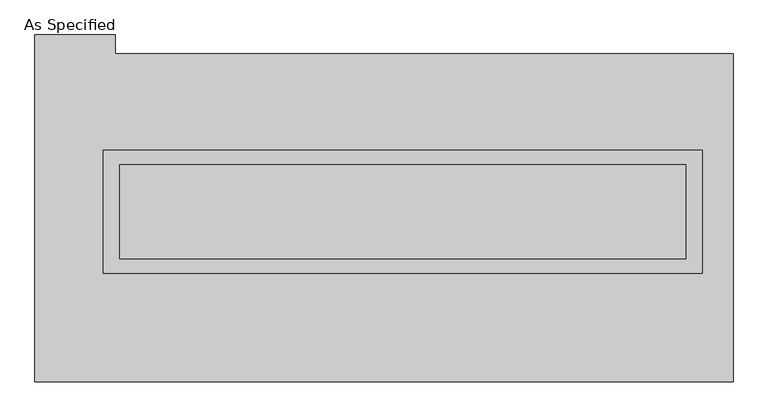
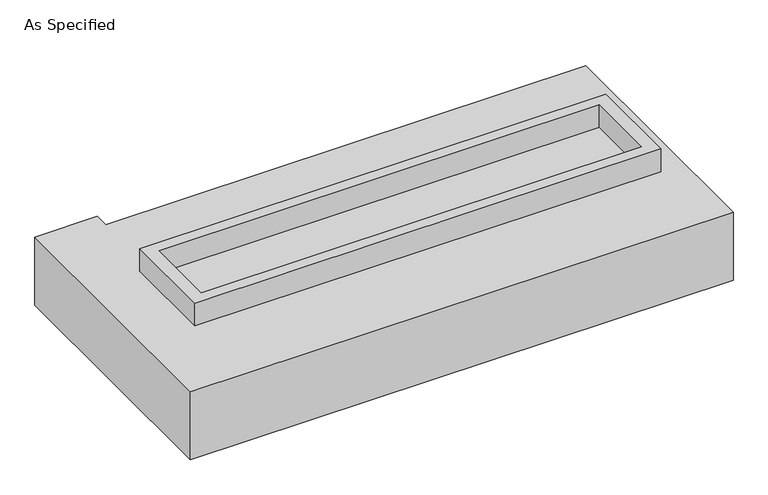
"""IFC4 building model written with IfcOpenShell, lengths in millimetres: proxy geometry, As Specified."""

from ifc_helpers import new_model, si_unit, frame, origin, place, context, project, spatial, polyline, outline, extrude, faceted_brep, source, transform, mapped, element, save


def as_specified_70f3b64c(model_context):
    return source(origin(), model_context, "Body", "SolidModel", [
        extrude(outline(polyline([(1612.9, 361.95), (1612.9, -298.45), (-1612.9, -298.45), (-1612.9, 361.95), (1612.9, 361.95)]), holes=[polyline([(1524.0, 285.75), (-1524.0, 285.75), (-1524.0, -222.25), (1524.0, -222.25), (1524.0, 285.75)])]), frame((0.0, 0.0, -25.4), z_axis=(0.0, 0.0, 1.0), x_axis=(1.0, 0.0, 0.0)), (0.0, 0.0, 1.0), 165.1),
        extrude(outline(polyline([(1524.0, 285.75), (1524.0, -222.25), (-1524.0, -222.25), (-1524.0, 285.75), (1524.0, 285.75)])), frame((0.0, 0.0, -30.3609375), z_axis=(0.0, 0.0, 1.0), x_axis=(1.0, 0.0, 0.0)), (0.0, 0.0, 1.0), 4.9609375),
        faceted_brep([(1778.0, -882.65, -523.875), (-1981.2, -882.65, -523.875), (-1981.2, 984.25, -523.875), (-1549.4, 984.25, -523.875), (-1549.4, 882.65, -523.875), (1778.0, 882.65, -523.875), (-1981.2, -882.65, -25.4), (1778.0, -882.65, -25.4), (1778.0, 882.65, -25.4), (-1549.4, 882.65, -25.4), (-1549.4, 984.25, -25.4), (-1981.2, 984.25, -25.4), (-1612.9, -298.45, -25.4), (-1612.9, 361.95, -25.4), (1612.9, 361.95, -25.4), (1612.9, -298.45, -25.4), (1612.9, 361.95, -498.475), (-1612.9, 361.95, -498.475), (-1612.9, -298.45, -498.475), (1612.9, -298.45, -498.475)], [[[0, 1, 2, 3, 4, 5]], [[6, 7, 8, 9, 10, 11], [12, 13, 14, 15]], [[8, 5, 4, 9]], [[2, 1, 6, 11]], [[5, 8, 7, 0]], [[16, 17, 18, 19]], [[18, 17, 13, 12]], [[17, 16, 14, 13]], [[16, 19, 15, 14]], [[12, 15, 19, 18]], [[1, 0, 7, 6]], [[4, 3, 10, 9]], [[3, 2, 11, 10]]]),
    ])


if __name__ == "__main__":
    model = new_model("IFC4")
    model_context = context("Model", 3, world=origin())
    ifc_project = project(units=[si_unit("LENGTHUNIT", "METRE", prefix="MILLI")], contexts=[model_context])
    site = spatial("IfcSite", under=ifc_project)
    building = spatial("IfcBuilding", under=site)
    placement = place(None, origin())
    as_specified_shape = as_specified_70f3b64c(model_context)
    element("IfcBuildingElementProxy", 1, Name="As Specified", ObjectType="As Specified", at=placement, inside=building, context=model_context, shape_type="MappedRepresentation", body=[
        mapped(as_specified_shape, transform((0.0, 0.0, 0.0), x_axis=(1.0, 0.0, 0.0), y_axis=(0.0, 1.0, 0.0), z_axis=(0.0, 0.0, 1.0))),
    ])
    save(model, "model.ifc")
